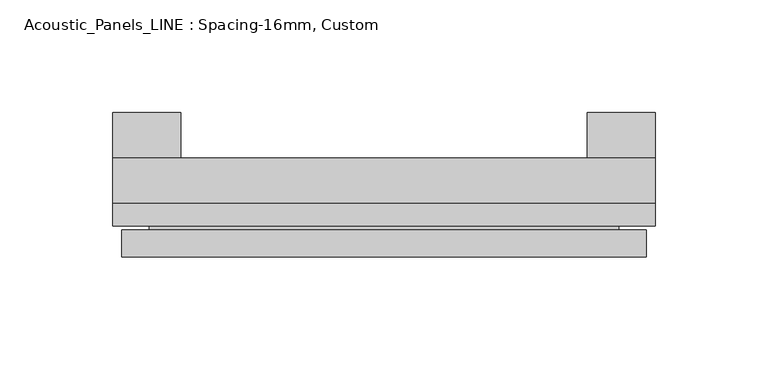
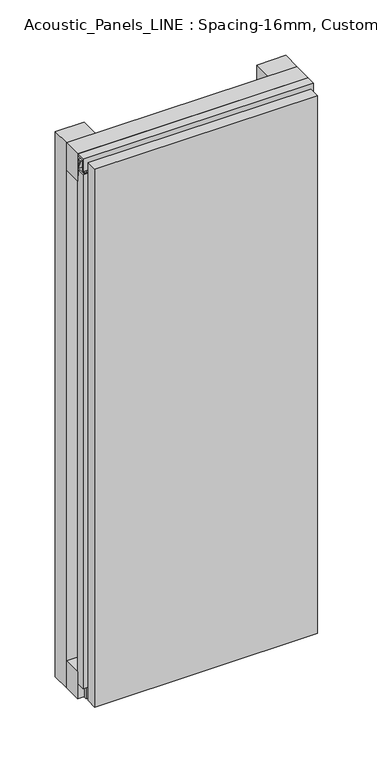
"""IFC4 building model written with IfcOpenShell, lengths in millimetres: plate geometry, Acoustic_Panels_LINE : Spacing-16mm, Custom."""

from ifc_helpers import new_model, si_unit, frame, origin, origin_with_axes, place, context, project, spatial, polyline, outline, extrude, faceted_brep, source, transform, mapped, element, save


def acoustic_panels_line_spacing_16mm_custom_079e880a(model_context):
    return source(origin(), model_context, "Body", "SolidModel", [
        extrude(outline(polyline([(-120.0, -40.0), (-120.0, -20.0), (120.0, -20.0), (120.0, -40.0), (-120.0, -40.0)])), frame((0.0, 0.0, 570.0), z_axis=(0.0, 0.0, 1.0), x_axis=(1.0, 0.0, 0.0)), (0.0, 0.0, 1.0), 30.0),
        extrude(outline(polyline([(-120.0, -40.0), (-120.0, -20.0), (120.0, -20.0), (120.0, -40.0), (-120.0, -40.0)])), origin_with_axes(), (0.0, 0.0, 1.0), 30.0),
        extrude(outline(polyline([(90.0, 0.0), (120.0, 0.0), (120.0, -20.0), (90.0, -20.0), (90.0, 0.0)])), origin_with_axes(), (0.0, 0.0, 1.0), 600.0),
        extrude(outline(polyline([(-90.0, 0.0), (-90.0, -20.0), (-120.0, -20.0), (-120.0, 0.0), (-90.0, 0.0)])), origin_with_axes(), (0.0, 0.0, 1.0), 600.0),
        extrude(outline(polyline([(-40.0, 593.700916), (-43.5, 593.700916), (-40.0553267, 584.6441401), (-40.0553267, 577.008452), (-41.4553267, 577.008452), (-41.4553267, 584.4296606), (-45.5140545, 595.100916), (-41.4, 595.100916), (-41.4, 598.5843193), (-48.7, 598.5843193), (-48.7, 586.5843193), (-50.1, 586.5843193), (-50.1, 600.0), (-40.0, 600.0), (-40.0, 593.700916)])), frame((-120.0, 0.0, 0.0), z_axis=(1.0, 0.0, 0.0), x_axis=(0.0, 1.0, 0.0)), (0.0, 0.0, 1.0), 240.0),
        extrude(outline(polyline([(-113.700916, -40.0), (-113.700916, -43.5), (-104.6441401, -40.0553267), (-97.008452, -40.0553267), (-97.008452, -41.4553267), (-104.4296606, -41.4553267), (-115.100916, -45.5140545), (-115.100916, -41.4), (-118.5843193, -41.4), (-118.5843193, -48.7), (-106.5843193, -48.7), (-106.5843193, -50.1), (-120.0, -50.1), (-120.0, -40.0), (-113.700916, -40.0)])), frame((0.0, 0.0, 16.9558599), z_axis=(0.0, 0.0, 1.0), x_axis=(1.0, 0.0, 0.0)), (0.0, 0.0, 1.0), 566.0882802),
        faceted_brep([(116.0, -45.9, 596.0), (-116.0, -45.9, 596.0), (-116.0, -48.7, 596.0), (116.0, -48.7, 596.0), (-116.0, -63.9, 596.0), (116.0, -63.9, 596.0), (116.0, -51.9, 596.0), (-116.0, -51.9, 596.0), (-116.0, -45.9, 4.0), (116.0, -45.9, 4.0), (116.0, -48.7, 4.0), (-116.0, -48.7, 4.0), (116.0, -63.9, 4.0), (-116.0, -63.9, 4.0), (-116.0, -51.9, 4.0), (116.0, -51.9, 4.0), (104.0, -51.9, 584.0), (104.0, -51.9, 16.0), (104.0, -48.7, 16.0), (104.0, -48.7, 584.0), (-104.0, -51.9, 16.0), (-104.0, -48.7, 16.0), (-104.0, -51.9, 584.0), (-104.0, -48.7, 584.0)], [[[0, 1, 2, 3]], [[4, 5, 6, 7]], [[8, 9, 10, 11]], [[12, 13, 14, 15]], [[1, 0, 9, 8]], [[1, 8, 11, 2]], [[13, 4, 7, 14]], [[5, 4, 13, 12]], [[9, 0, 3, 10]], [[5, 12, 15, 6]], [[16, 17, 18, 19]], [[18, 17, 20, 21]], [[21, 20, 22, 23]], [[16, 19, 23, 22]], [[7, 6, 15, 14], [17, 16, 22, 20]], [[3, 2, 11, 10], [19, 18, 21, 23]]]),
    ])


if __name__ == "__main__":
    model = new_model("IFC4")
    model_context = context("Model", 3, world=origin())
    ifc_project = project(units=[si_unit("LENGTHUNIT", "METRE", prefix="MILLI")], contexts=[model_context])
    site = spatial("IfcSite", under=ifc_project)
    building = spatial("IfcBuilding", under=site)
    placement = place(None, origin())
    acoustic_panels_line_spacing_16mm_custom_shape = acoustic_panels_line_spacing_16mm_custom_079e880a(model_context)
    element("IfcPlate", 1, ObjectType="Acoustic_Panels_LINE : Spacing-16mm, Custom", at=placement, inside=building, context=model_context, shape_type="MappedRepresentation", body=[
        mapped(acoustic_panels_line_spacing_16mm_custom_shape, transform((0.0, 0.0, 0.0), x_axis=(1.0, 0.0, 0.0), y_axis=(0.0, 1.0, 0.0), z_axis=(0.0, 0.0, 1.0))),
    ])
    save(model, "model.ifc")
